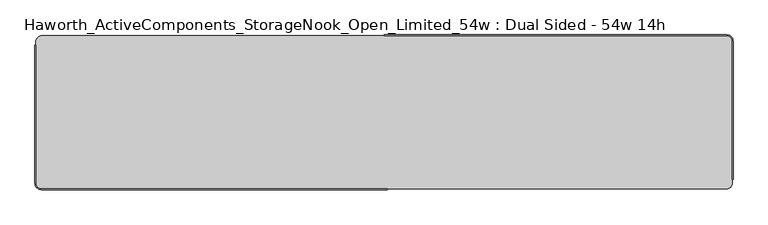
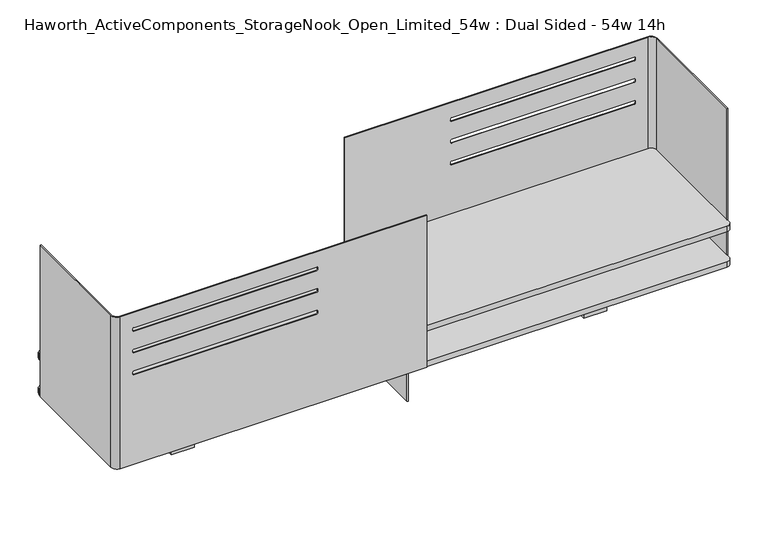
"""IFC4 building model written with IfcOpenShell, lengths in millimetres: furniture geometry, Haworth_ActiveComponents_StorageNook_Open_Limited_54w : Dual Sided - 54w 14h."""

from ifc_helpers import new_model, si_unit, point, frame, frame_2d, origin, place, context, project, spatial, polyline, circle_curve, trimmed, segment, composite_curve, outline, extrude, source, transform, mapped, element, save
from ifc_brep_helpers import plane_surface, cylinder_surface, revolved_surface, advanced_brep


def haworth_activecomponents_storagenook_open_limited_54w_dual_ef0f24f9(model_context):
    return source(origin(), model_context, "Body", "SolidModel", [
        advanced_brep(
        [(-684.2125, -482.6, 1207.7192085), (-684.2125, -211.1375, 1207.7192085), (-685.8, -211.1375, 1207.7192085), (-685.8, -482.6, 1207.7192085), (-673.1, -495.3, 1207.7192085), (6.35, -495.3, 1207.7192085), (6.35, -493.7125, 1207.7192085), (-673.1, -493.7125, 1207.7192085), (-684.2125, -482.6, 852.1192085), (-673.1, -493.7125, 852.1192085), (6.35, -493.7125, 852.1192085), (6.35, -495.3, 852.1192085), (-673.1, -495.3, 852.1192085), (-685.8, -482.6, 852.1192085), (-685.8, -211.1375, 852.1192085), (-684.2125, -211.1375, 852.1192085), (-237.2674617, -493.7125, 1171.5204477), (-642.1125093, -493.7125, 1171.5204477), (-644.429971, -493.7125, 1169.202986), (-644.429971, -493.7125, 1165.5181056), (-642.1810739, -493.7125, 1163.2692085), (-237.198897, -493.7125, 1163.2692085), (-234.95, -493.7125, 1165.5181056), (-234.95, -493.7125, 1169.202986), (-237.2674617, -493.7125, 1120.7044454), (-642.1125093, -493.7125, 1120.7044454), (-644.429971, -493.7125, 1118.3869837), (-644.429971, -493.7125, 1114.7021032), (-642.1810739, -493.7125, 1112.4532062), (-237.198897, -493.7125, 1112.4532062), (-234.95, -493.7125, 1114.7021032), (-234.95, -493.7125, 1118.3869837), (-237.2674617, -493.7125, 1069.9044454), (-642.1125093, -493.7125, 1069.9044454), (-644.429971, -493.7125, 1067.5869837), (-644.429971, -493.7125, 1063.9021032), (-642.1810739, -493.7125, 1061.6532062), (-237.198897, -493.7125, 1061.6532062), (-234.95, -493.7125, 1063.9021032), (-234.95, -493.7125, 1067.5869837), (-234.95, -495.3, 1169.202986), (-234.95, -495.3, 1165.5181056), (-237.198897, -495.3, 1163.2692085), (-642.1810739, -495.3, 1163.2692085), (-644.429971, -495.3, 1165.5181056), (-644.429971, -495.3, 1169.202986), (-642.1125093, -495.3, 1171.5204477), (-237.2674617, -495.3, 1171.5204477), (-234.95, -495.3, 1118.3869837), (-234.95, -495.3, 1114.7021032), (-237.198897, -495.3, 1112.4532062), (-642.1810739, -495.3, 1112.4532062), (-644.429971, -495.3, 1114.7021032), (-644.429971, -495.3, 1118.3869837), (-642.1125093, -495.3, 1120.7044454), (-237.2674617, -495.3, 1120.7044454), (-234.95, -495.3, 1067.5869837), (-234.95, -495.3, 1063.9021032), (-237.198897, -495.3, 1061.6532062), (-642.1810739, -495.3, 1061.6532062), (-644.429971, -495.3, 1063.9021032), (-644.429971, -495.3, 1067.5869837), (-642.1125093, -495.3, 1069.9044454), (-237.2674617, -495.3, 1069.9044454)],
        [
            (0, 1),
            (1, 2),
            (2, 3),
            (3, 4, circle_curve(frame((-673.1, -482.6, 1207.7192085), z_axis=(0.0, 0.0, 1.0), x_axis=(1.0, 0.0, 0.0)), 12.7)),
            (4, 5),
            (5, 6),
            (6, 7),
            (7, 0, circle_curve(frame((-673.1, -482.6, 1207.7192085), z_axis=(0.0, 0.0, -1.0), x_axis=(1.0, 0.0, 0.0)), 11.1125)),
            (8, 9, circle_curve(frame((-673.1, -482.6, 852.1192085), z_axis=(0.0, 0.0, 1.0), x_axis=(1.0, 0.0, 0.0)), 11.1125)),
            (9, 10),
            (10, 11),
            (11, 12),
            (12, 13, circle_curve(frame((-673.1, -482.6, 852.1192085), z_axis=(0.0, 0.0, -1.0), x_axis=(1.0, 0.0, 0.0)), 12.7)),
            (13, 14),
            (14, 15),
            (15, 8),
            (7, 9),
            (8, 0),
            (6, 10),
            (16, 17),
            (17, 18, circle_curve(frame((-642.1125093, -493.7125, 1169.202986), z_axis=(0.0, -1.0, 0.0), x_axis=(-1.0, 0.0, 0.0)), 2.3174617)),
            (18, 19),
            (19, 20, circle_curve(frame((-642.1810739, -493.7125, 1165.5181056), z_axis=(0.0, -1.0, 0.0), x_axis=(-1.0, 0.0, 0.0)), 2.248897)),
            (20, 21),
            (21, 22, circle_curve(frame((-237.198897, -493.7125, 1165.5181056), z_axis=(0.0, -1.0, 0.0), x_axis=(-1.0, 0.0, 0.0)), 2.248897)),
            (22, 23),
            (23, 16, circle_curve(frame((-237.2674617, -493.7125, 1169.202986), z_axis=(0.0, -1.0, 0.0), x_axis=(-1.0, 0.0, 0.0)), 2.3174617)),
            (24, 25),
            (25, 26, circle_curve(frame((-642.1125093, -493.7125, 1118.3869837), z_axis=(0.0, -1.0, 0.0), x_axis=(-1.0, 0.0, 0.0)), 2.3174617)),
            (26, 27),
            (27, 28, circle_curve(frame((-642.1810739, -493.7125, 1114.7021032), z_axis=(0.0, -1.0, 0.0), x_axis=(-1.0, 0.0, 0.0)), 2.248897)),
            (28, 29),
            (29, 30, circle_curve(frame((-237.198897, -493.7125, 1114.7021032), z_axis=(0.0, -1.0, 0.0), x_axis=(-1.0, 0.0, 0.0)), 2.248897)),
            (30, 31),
            (31, 24, circle_curve(frame((-237.2674617, -493.7125, 1118.3869837), z_axis=(0.0, -1.0, 0.0), x_axis=(-1.0, 0.0, 0.0)), 2.3174617)),
            (32, 33),
            (33, 34, circle_curve(frame((-642.1125093, -493.7125, 1067.5869837), z_axis=(0.0, -1.0, 0.0), x_axis=(-1.0, 0.0, 0.0)), 2.3174617)),
            (34, 35),
            (35, 36, circle_curve(frame((-642.1810739, -493.7125, 1063.9021032), z_axis=(0.0, -1.0, 0.0), x_axis=(-1.0, 0.0, 0.0)), 2.248897)),
            (36, 37),
            (37, 38, circle_curve(frame((-237.198897, -493.7125, 1063.9021032), z_axis=(0.0, -1.0, 0.0), x_axis=(-1.0, 0.0, 0.0)), 2.248897)),
            (38, 39),
            (39, 32, circle_curve(frame((-237.2674617, -493.7125, 1067.5869837), z_axis=(0.0, -1.0, 0.0), x_axis=(-1.0, 0.0, 0.0)), 2.3174617)),
            (5, 11),
            (4, 12),
            (40, 41),
            (41, 42, circle_curve(frame((-237.198897, -495.3, 1165.5181056), z_axis=(0.0, 1.0, 0.0), x_axis=(-1.0, 0.0, 0.0)), 2.248897)),
            (42, 43),
            (43, 44, circle_curve(frame((-642.1810739, -495.3, 1165.5181056), z_axis=(0.0, 1.0, 0.0), x_axis=(-1.0, 0.0, 0.0)), 2.248897)),
            (44, 45),
            (45, 46, circle_curve(frame((-642.1125093, -495.3, 1169.202986), z_axis=(0.0, 1.0, 0.0), x_axis=(-1.0, 0.0, 0.0)), 2.3174617)),
            (46, 47),
            (47, 40, circle_curve(frame((-237.2674617, -495.3, 1169.202986), z_axis=(0.0, 1.0, 0.0), x_axis=(-1.0, 0.0, 0.0)), 2.3174617)),
            (48, 49),
            (49, 50, circle_curve(frame((-237.198897, -495.3, 1114.7021032), z_axis=(0.0, 1.0, 0.0), x_axis=(-1.0, 0.0, 0.0)), 2.248897)),
            (50, 51),
            (51, 52, circle_curve(frame((-642.1810739, -495.3, 1114.7021032), z_axis=(0.0, 1.0, 0.0), x_axis=(-1.0, 0.0, 0.0)), 2.248897)),
            (52, 53),
            (53, 54, circle_curve(frame((-642.1125093, -495.3, 1118.3869837), z_axis=(0.0, 1.0, 0.0), x_axis=(-1.0, 0.0, 0.0)), 2.3174617)),
            (54, 55),
            (55, 48, circle_curve(frame((-237.2674617, -495.3, 1118.3869837), z_axis=(0.0, 1.0, 0.0), x_axis=(-1.0, 0.0, 0.0)), 2.3174617)),
            (56, 57),
            (57, 58, circle_curve(frame((-237.198897, -495.3, 1063.9021032), z_axis=(0.0, 1.0, 0.0), x_axis=(-1.0, 0.0, 0.0)), 2.248897)),
            (58, 59),
            (59, 60, circle_curve(frame((-642.1810739, -495.3, 1063.9021032), z_axis=(0.0, 1.0, 0.0), x_axis=(-1.0, 0.0, 0.0)), 2.248897)),
            (60, 61),
            (61, 62, circle_curve(frame((-642.1125093, -495.3, 1067.5869837), z_axis=(0.0, 1.0, 0.0), x_axis=(-1.0, 0.0, 0.0)), 2.3174617)),
            (62, 63),
            (63, 56, circle_curve(frame((-237.2674617, -495.3, 1067.5869837), z_axis=(0.0, 1.0, 0.0), x_axis=(-1.0, 0.0, 0.0)), 2.3174617)),
            (3, 13),
            (2, 14),
            (1, 15),
            (23, 40),
            (47, 16),
            (22, 41),
            (21, 42),
            (20, 43),
            (19, 44),
            (18, 45),
            (17, 46),
            (31, 48),
            (55, 24),
            (30, 49),
            (29, 50),
            (28, 51),
            (27, 52),
            (26, 53),
            (25, 54),
            (39, 56),
            (63, 32),
            (38, 57),
            (37, 58),
            (36, 59),
            (35, 60),
            (34, 61),
            (33, 62),
        ],
        [
            plane_surface(frame((-661.9875, -482.6, 1207.7192085), z_axis=(0.0, 0.0, 1.0), x_axis=(0.0, 1.0, 0.0))),
            plane_surface(frame((-661.9875, -482.6, 852.1192085), z_axis=(0.0, 0.0, -1.0), x_axis=(0.0, -1.0, 0.0))),
            revolved_surface(polyline([(-661.9875000000001, -482.6, 852.1192085), (-661.9875000000001, -482.6, 1207.7192085)]), (-673.1, -482.6, 852.1192085), (0.0, 0.0, -1.0)),
            plane_surface(frame((-673.1, -493.7125, 1207.7192085), z_axis=(0.0, 1.0, 0.0), x_axis=(0.0, 0.0, -1.0))),
            plane_surface(frame((6.35, -493.7125, 1207.7192085), z_axis=(1.0, 0.0, 0.0), x_axis=(0.0, 0.0, -1.0))),
            plane_surface(frame((6.35, -495.3, 1207.7192085), z_axis=(0.0, -1.0, 0.0), x_axis=(0.0, 0.0, -1.0))),
            cylinder_surface(frame((-673.1, -482.6, 852.1192085), z_axis=(0.0, 0.0, 1.0), x_axis=(1.0, 0.0, 0.0)), 12.7),
            plane_surface(frame((-685.8, -482.6, 1207.7192085), z_axis=(-1.0, 0.0, 0.0), x_axis=(0.0, 0.0, -1.0))),
            plane_surface(frame((-685.8, -211.1375, 1207.7192085), z_axis=(0.0, 1.0, 0.0), x_axis=(0.0, 0.0, -1.0))),
            plane_surface(frame((-684.2125, -211.1375, 1207.7192085), z_axis=(1.0, 0.0, 0.0), x_axis=(0.0, 0.0, -1.0))),
            revolved_surface(polyline([(-239.5849234, -495.3, 1169.202986), (-239.5849234, -493.7125, 1169.202986)]), (-237.2674617, -190.5, 1169.202986), (0.0, -1.0, 0.0)),
            plane_surface(frame((-234.95, -495.3, 1169.202986), z_axis=(-1.0, 0.0, 0.0), x_axis=(0.0, 1.0, 0.0))),
            revolved_surface(polyline([(-239.447794, -495.3, 1165.5181056), (-239.447794, -493.7125, 1165.5181056)]), (-237.198897, -190.5, 1165.5181056), (0.0, -1.0, 0.0)),
            plane_surface(frame((-237.198897, -495.3, 1163.2692085), z_axis=(0.0, 0.0, 1.0), x_axis=(0.0, 1.0, 0.0))),
            revolved_surface(polyline([(-644.4299709000001, -495.3, 1165.5181056), (-644.4299709000001, -493.7125, 1165.5181056)]), (-642.1810739, -190.5, 1165.5181056), (0.0, -1.0, 0.0)),
            plane_surface(frame((-644.429971, -495.3, 1165.5181056), z_axis=(1.0, 0.0, 0.0), x_axis=(0.0, 1.0, 0.0))),
            revolved_surface(polyline([(-644.429971, -495.3, 1169.202986), (-644.429971, -493.7125, 1169.202986)]), (-642.1125093, -190.5, 1169.202986), (0.0, -1.0, 0.0)),
            plane_surface(frame((-642.1125093, -495.3, 1171.5204477), z_axis=(0.0, 0.0, -1.0), x_axis=(0.0, 1.0, 0.0))),
            revolved_surface(polyline([(-239.5849234, -495.3, 1118.3869837), (-239.5849234, -493.7125, 1118.3869837)]), (-237.2674617, -190.5, 1118.3869837), (0.0, -1.0, 0.0)),
            plane_surface(frame((-234.95, -495.3, 1118.3869837), z_axis=(-1.0, 0.0, 0.0), x_axis=(0.0, 1.0, 0.0))),
            revolved_surface(polyline([(-239.447794, -495.3, 1114.7021032), (-239.447794, -493.7125, 1114.7021032)]), (-237.198897, -190.5, 1114.7021032), (0.0, -1.0, 0.0)),
            plane_surface(frame((-237.198897, -495.3, 1112.4532062), z_axis=(0.0, 0.0, 1.0), x_axis=(0.0, 1.0, 0.0))),
            revolved_surface(polyline([(-644.4299709000001, -495.3, 1114.7021032), (-644.4299709000001, -493.7125, 1114.7021032)]), (-642.1810739, -190.5, 1114.7021032), (0.0, -1.0, 0.0)),
            plane_surface(frame((-644.429971, -495.3, 1114.7021032), z_axis=(1.0, 0.0, 0.0), x_axis=(0.0, 1.0, 0.0))),
            revolved_surface(polyline([(-644.429971, -495.3, 1118.3869837), (-644.429971, -493.7125, 1118.3869837)]), (-642.1125093, -190.5, 1118.3869837), (0.0, -1.0, 0.0)),
            plane_surface(frame((-642.1125093, -495.3, 1120.7044454), z_axis=(0.0, 0.0, -1.0), x_axis=(0.0, 1.0, 0.0))),
            revolved_surface(polyline([(-239.5849234, -495.3, 1067.5869837), (-239.5849234, -493.7125, 1067.5869837)]), (-237.2674617, -190.5, 1067.5869837), (0.0, -1.0, 0.0)),
            plane_surface(frame((-234.95, -495.3, 1067.5869837), z_axis=(-1.0, 0.0, 0.0), x_axis=(0.0, 1.0, 0.0))),
            revolved_surface(polyline([(-239.447794, -495.3, 1063.9021032), (-239.447794, -493.7125, 1063.9021032)]), (-237.198897, -190.5, 1063.9021032), (0.0, -1.0, 0.0)),
            plane_surface(frame((-237.198897, -495.3, 1061.6532062), z_axis=(0.0, 0.0, 1.0), x_axis=(0.0, 1.0, 0.0))),
            revolved_surface(polyline([(-644.4299709000001, -495.3, 1063.9021032), (-644.4299709000001, -493.7125, 1063.9021032)]), (-642.1810739, -190.5, 1063.9021032), (0.0, -1.0, 0.0)),
            plane_surface(frame((-644.429971, -495.3, 1063.9021032), z_axis=(1.0, 0.0, 0.0), x_axis=(0.0, 1.0, 0.0))),
            revolved_surface(polyline([(-644.429971, -495.3, 1067.5869837), (-644.429971, -493.7125, 1067.5869837)]), (-642.1125093, -190.5, 1067.5869837), (0.0, -1.0, 0.0)),
            plane_surface(frame((-642.1125093, -495.3, 1069.9044454), z_axis=(0.0, 0.0, -1.0), x_axis=(0.0, 1.0, 0.0))),
        ],
        [
            (0, [[1, 2, 3, 4, 5, 6, 7, 8]]),
            (1, [[9, 10, 11, 12, 13, 14, 15, 16]]),
            (2, [[17, -9, 18, -8]]),
            (3, [[19, -10, -17, -7], [20, 21, 22, 23, 24, 25, 26, 27], [28, 29, 30, 31, 32, 33, 34, 35], [36, 37, 38, 39, 40, 41, 42, 43]]),
            (4, [[44, -11, -19, -6]]),
            (5, [[45, -12, -44, -5], [46, 47, 48, 49, 50, 51, 52, 53], [54, 55, 56, 57, 58, 59, 60, 61], [62, 63, 64, 65, 66, 67, 68, 69]]),
            (6, [[70, -13, -45, -4]]),
            (7, [[71, -14, -70, -3]]),
            (8, [[72, -15, -71, -2]]),
            (9, [[-18, -16, -72, -1]]),
            (10, [[-27, 73, -53, 74]]),
            (11, [[-26, 75, -46, -73]]),
            (12, [[-25, 76, -47, -75]]),
            (13, [[-24, 77, -48, -76]]),
            (14, [[-23, 78, -49, -77]]),
            (15, [[-22, 79, -50, -78]]),
            (16, [[-21, 80, -51, -79]]),
            (17, [[-52, -80, -20, -74]]),
            (18, [[-35, 81, -61, 82]]),
            (19, [[-34, 83, -54, -81]]),
            (20, [[-33, 84, -55, -83]]),
            (21, [[-32, 85, -56, -84]]),
            (22, [[-31, 86, -57, -85]]),
            (23, [[-30, 87, -58, -86]]),
            (24, [[-29, 88, -59, -87]]),
            (25, [[-60, -88, -28, -82]]),
            (26, [[-43, 89, -69, 90]]),
            (27, [[-42, 91, -62, -89]]),
            (28, [[-41, 92, -63, -91]]),
            (29, [[-40, 93, -64, -92]]),
            (30, [[-39, 94, -65, -93]]),
            (31, [[-38, 95, -66, -94]]),
            (32, [[-37, 96, -67, -95]]),
            (33, [[-68, -96, -36, -90]]),
        ],
    ),
        advanced_brep(
        [(684.2125, -203.2, 1207.7192085), (684.2125, -474.6625, 1207.7192085), (685.8, -474.6625, 1207.7192085), (685.8, -203.2, 1207.7192085), (673.1, -190.5, 1207.7192085), (0.0, -190.5, 1207.7192085), (0.0, -192.0875, 1207.7192085), (673.1, -192.0875, 1207.7192085), (684.2125, -203.2, 852.1192085), (673.1, -192.0875, 852.1192085), (0.0, -192.0875, 852.1192085), (0.0, -190.5, 852.1192085), (673.1, -190.5, 852.1192085), (685.8, -203.2, 852.1192085), (685.8, -474.6625, 852.1192085), (684.2125, -474.6625, 852.1192085), (237.2674617, -192.0875, 1171.5204477), (642.1125093, -192.0875, 1171.5204477), (644.429971, -192.0875, 1169.202986), (644.429971, -192.0875, 1165.5181056), (642.1810739, -192.0875, 1163.2692085), (237.198897, -192.0875, 1163.2692085), (234.95, -192.0875, 1165.5181056), (234.95, -192.0875, 1169.202986), (237.2674617, -192.0875, 1120.7044454), (642.1125093, -192.0875, 1120.7044454), (644.429971, -192.0875, 1118.3869837), (644.429971, -192.0875, 1114.7021032), (642.1810739, -192.0875, 1112.4532062), (237.198897, -192.0875, 1112.4532062), (234.95, -192.0875, 1114.7021032), (234.95, -192.0875, 1118.3869837), (237.2674617, -192.0875, 1069.9044454), (642.1125093, -192.0875, 1069.9044454), (644.429971, -192.0875, 1067.5869837), (644.429971, -192.0875, 1063.9021032), (642.1810739, -192.0875, 1061.6532062), (237.198897, -192.0875, 1061.6532062), (234.95, -192.0875, 1063.9021032), (234.95, -192.0875, 1067.5869837), (234.95, -190.5, 1169.202986), (234.95, -190.5, 1165.5181056), (237.198897, -190.5, 1163.2692085), (642.1810739, -190.5, 1163.2692085), (644.429971, -190.5, 1165.5181056), (644.429971, -190.5, 1169.202986), (642.1125093, -190.5, 1171.5204477), (237.2674617, -190.5, 1171.5204477), (234.95, -190.5, 1118.3869837), (234.95, -190.5, 1114.7021032), (237.198897, -190.5, 1112.4532062), (642.1810739, -190.5, 1112.4532062), (644.429971, -190.5, 1114.7021032), (644.429971, -190.5, 1118.3869837), (642.1125093, -190.5, 1120.7044454), (237.2674617, -190.5, 1120.7044454), (234.95, -190.5, 1067.5869837), (234.95, -190.5, 1063.9021032), (237.198897, -190.5, 1061.6532062), (642.1810739, -190.5, 1061.6532062), (644.429971, -190.5, 1063.9021032), (644.429971, -190.5, 1067.5869837), (642.1125093, -190.5, 1069.9044454), (237.2674617, -190.5, 1069.9044454)],
        [
            (0, 1),
            (1, 2),
            (2, 3),
            (3, 4, circle_curve(frame((673.1, -203.2, 1207.7192085), z_axis=(0.0, 0.0, 1.0), x_axis=(1.0, 0.0, 0.0)), 12.7)),
            (4, 5),
            (5, 6),
            (6, 7),
            (7, 0, circle_curve(frame((673.1, -203.2, 1207.7192085), z_axis=(0.0, 0.0, -1.0), x_axis=(1.0, 0.0, 0.0)), 11.1125)),
            (8, 9, circle_curve(frame((673.1, -203.2, 852.1192085), z_axis=(0.0, 0.0, 1.0), x_axis=(1.0, 0.0, 0.0)), 11.1125)),
            (9, 10),
            (10, 11),
            (11, 12),
            (12, 13, circle_curve(frame((673.1, -203.2, 852.1192085), z_axis=(0.0, 0.0, -1.0), x_axis=(1.0, 0.0, 0.0)), 12.7)),
            (13, 14),
            (14, 15),
            (15, 8),
            (7, 9),
            (8, 0),
            (6, 10),
            (16, 17),
            (17, 18, circle_curve(frame((642.1125093, -192.0875, 1169.202986), z_axis=(0.0, 1.0, 0.0), x_axis=(1.0, 0.0, 0.0)), 2.3174617)),
            (18, 19),
            (19, 20, circle_curve(frame((642.1810739, -192.0875, 1165.5181056), z_axis=(0.0, 1.0, 0.0), x_axis=(1.0, 0.0, 0.0)), 2.248897)),
            (20, 21),
            (21, 22, circle_curve(frame((237.198897, -192.0875, 1165.5181056), z_axis=(0.0, 1.0, 0.0), x_axis=(1.0, 0.0, 0.0)), 2.248897)),
            (22, 23),
            (23, 16, circle_curve(frame((237.2674617, -192.0875, 1169.202986), z_axis=(0.0, 1.0, 0.0), x_axis=(1.0, 0.0, 0.0)), 2.3174617)),
            (24, 25),
            (25, 26, circle_curve(frame((642.1125093, -192.0875, 1118.3869837), z_axis=(0.0, 1.0, 0.0), x_axis=(1.0, 0.0, 0.0)), 2.3174617)),
            (26, 27),
            (27, 28, circle_curve(frame((642.1810739, -192.0875, 1114.7021032), z_axis=(0.0, 1.0, 0.0), x_axis=(1.0, 0.0, 0.0)), 2.248897)),
            (28, 29),
            (29, 30, circle_curve(frame((237.198897, -192.0875, 1114.7021032), z_axis=(0.0, 1.0, 0.0), x_axis=(1.0, 0.0, 0.0)), 2.248897)),
            (30, 31),
            (31, 24, circle_curve(frame((237.2674617, -192.0875, 1118.3869837), z_axis=(0.0, 1.0, 0.0), x_axis=(1.0, 0.0, 0.0)), 2.3174617)),
            (32, 33),
            (33, 34, circle_curve(frame((642.1125093, -192.0875, 1067.5869837), z_axis=(0.0, 1.0, 0.0), x_axis=(1.0, 0.0, 0.0)), 2.3174617)),
            (34, 35),
            (35, 36, circle_curve(frame((642.1810739, -192.0875, 1063.9021032), z_axis=(0.0, 1.0, 0.0), x_axis=(1.0, 0.0, 0.0)), 2.248897)),
            (36, 37),
            (37, 38, circle_curve(frame((237.198897, -192.0875, 1063.9021032), z_axis=(0.0, 1.0, 0.0), x_axis=(1.0, 0.0, 0.0)), 2.248897)),
            (38, 39),
            (39, 32, circle_curve(frame((237.2674617, -192.0875, 1067.5869837), z_axis=(0.0, 1.0, 0.0), x_axis=(1.0, 0.0, 0.0)), 2.3174617)),
            (5, 11),
            (4, 12),
            (40, 41),
            (41, 42, circle_curve(frame((237.198897, -190.5, 1165.5181056), z_axis=(0.0, -1.0, 0.0), x_axis=(1.0, 0.0, 0.0)), 2.248897)),
            (42, 43),
            (43, 44, circle_curve(frame((642.1810739, -190.5, 1165.5181056), z_axis=(0.0, -1.0, 0.0), x_axis=(1.0, 0.0, 0.0)), 2.248897)),
            (44, 45),
            (45, 46, circle_curve(frame((642.1125093, -190.5, 1169.202986), z_axis=(0.0, -1.0, 0.0), x_axis=(1.0, 0.0, 0.0)), 2.3174617)),
            (46, 47),
            (47, 40, circle_curve(frame((237.2674617, -190.5, 1169.202986), z_axis=(0.0, -1.0, 0.0), x_axis=(1.0, 0.0, 0.0)), 2.3174617)),
            (48, 49),
            (49, 50, circle_curve(frame((237.198897, -190.5, 1114.7021032), z_axis=(0.0, -1.0, 0.0), x_axis=(1.0, 0.0, 0.0)), 2.248897)),
            (50, 51),
            (51, 52, circle_curve(frame((642.1810739, -190.5, 1114.7021032), z_axis=(0.0, -1.0, 0.0), x_axis=(1.0, 0.0, 0.0)), 2.248897)),
            (52, 53),
            (53, 54, circle_curve(frame((642.1125093, -190.5, 1118.3869837), z_axis=(0.0, -1.0, 0.0), x_axis=(1.0, 0.0, 0.0)), 2.3174617)),
            (54, 55),
            (55, 48, circle_curve(frame((237.2674617, -190.5, 1118.3869837), z_axis=(0.0, -1.0, 0.0), x_axis=(1.0, 0.0, 0.0)), 2.3174617)),
            (56, 57),
            (57, 58, circle_curve(frame((237.198897, -190.5, 1063.9021032), z_axis=(0.0, -1.0, 0.0), x_axis=(1.0, 0.0, 0.0)), 2.248897)),
            (58, 59),
            (59, 60, circle_curve(frame((642.1810739, -190.5, 1063.9021032), z_axis=(0.0, -1.0, 0.0), x_axis=(1.0, 0.0, 0.0)), 2.248897)),
            (60, 61),
            (61, 62, circle_curve(frame((642.1125093, -190.5, 1067.5869837), z_axis=(0.0, -1.0, 0.0), x_axis=(1.0, 0.0, 0.0)), 2.3174617)),
            (62, 63),
            (63, 56, circle_curve(frame((237.2674617, -190.5, 1067.5869837), z_axis=(0.0, -1.0, 0.0), x_axis=(1.0, 0.0, 0.0)), 2.3174617)),
            (3, 13),
            (2, 14),
            (1, 15),
            (47, 16),
            (23, 40),
            (22, 41),
            (21, 42),
            (20, 43),
            (19, 44),
            (18, 45),
            (17, 46),
            (55, 24),
            (31, 48),
            (30, 49),
            (29, 50),
            (28, 51),
            (27, 52),
            (26, 53),
            (25, 54),
            (63, 32),
            (39, 56),
            (38, 57),
            (37, 58),
            (36, 59),
            (35, 60),
            (34, 61),
            (33, 62),
        ],
        [
            plane_surface(frame((-661.9875, -482.6, 1207.7192085), z_axis=(0.0, 0.0, 1.0), x_axis=(0.0, 1.0, 0.0))),
            plane_surface(frame((-661.9875, -482.6, 852.1192085), z_axis=(0.0, 0.0, -1.0), x_axis=(0.0, -1.0, 0.0))),
            revolved_surface(polyline([(684.2125, -203.2, 852.1192085), (684.2125, -203.2, 1207.7192085)]), (673.1, -203.2, 0.0), (0.0, 0.0, -1.0)),
            plane_surface(frame((673.1, -192.0875, 1207.7192085), z_axis=(0.0, -1.0, 0.0), x_axis=(0.0, 0.0, -1.0))),
            plane_surface(frame((0.0, -192.0875, 1207.7192085), z_axis=(-1.0, 0.0, 0.0), x_axis=(0.0, 0.0, -1.0))),
            plane_surface(frame((0.0, -190.5, 1207.7192085), z_axis=(0.0, 1.0, 0.0), x_axis=(0.0, 0.0, -1.0))),
            cylinder_surface(frame((673.1, -203.2, 0.0), z_axis=(0.0, 0.0, 1.0), x_axis=(1.0, 0.0, 0.0)), 12.7),
            plane_surface(frame((685.8, -203.2, 1207.7192085), z_axis=(1.0, 0.0, 0.0), x_axis=(0.0, 0.0, -1.0))),
            plane_surface(frame((685.8, -474.6625, 1207.7192085), z_axis=(-2.5920599003900366e-11, -1.0, 0.0), x_axis=(0.0, 0.0, -1.0))),
            plane_surface(frame((684.2125, -474.6625, 1207.7192085), z_axis=(-1.0, 0.0, 0.0), x_axis=(0.0, 0.0, -1.0))),
            revolved_surface(polyline([(239.5849234, -192.0875, 1169.202986), (239.5849234, -190.5, 1169.202986)]), (237.2674617, -190.5, 1169.202986), (0.0, -1.0, 0.0)),
            plane_surface(frame((234.95, -495.3, 1165.5181056), z_axis=(1.0, 0.0, 0.0), x_axis=(0.0, 1.0, 0.0))),
            revolved_surface(polyline([(239.447794, -192.0875, 1165.5181056), (239.447794, -190.5, 1165.5181056)]), (237.198897, -190.5, 1165.5181056), (0.0, -1.0, 0.0)),
            plane_surface(frame((642.1810739, -495.3, 1163.2692085), z_axis=(0.0, 0.0, 1.0), x_axis=(0.0, 1.0, 0.0))),
            revolved_surface(polyline([(644.4299709000001, -192.0875, 1165.5181056), (644.4299709000001, -190.5, 1165.5181056)]), (642.1810739, -190.5, 1165.5181056), (0.0, -1.0, 0.0)),
            plane_surface(frame((644.429971, -495.3, 1169.202986), z_axis=(-1.0, 0.0, 0.0), x_axis=(0.0, 1.0, 0.0))),
            revolved_surface(polyline([(644.429971, -192.0875, 1169.202986), (644.429971, -190.5, 1169.202986)]), (642.1125093, -190.5, 1169.202986), (0.0, -1.0, 0.0)),
            plane_surface(frame((237.2674617, -495.3, 1171.5204477), z_axis=(0.0, 0.0, -1.0), x_axis=(0.0, 1.0, 0.0))),
            revolved_surface(polyline([(239.5849234, -192.0875, 1118.3869837), (239.5849234, -190.5, 1118.3869837)]), (237.2674617, -190.5, 1118.3869837), (0.0, -1.0, 0.0)),
            plane_surface(frame((234.95, -495.3, 1114.7021032), z_axis=(1.0, 0.0, 0.0), x_axis=(0.0, 1.0, 0.0))),
            revolved_surface(polyline([(239.447794, -192.0875, 1114.7021032), (239.447794, -190.5, 1114.7021032)]), (237.198897, -190.5, 1114.7021032), (0.0, -1.0, 0.0)),
            plane_surface(frame((642.1810739, -495.3, 1112.4532062), z_axis=(0.0, 0.0, 1.0), x_axis=(0.0, 1.0, 0.0))),
            revolved_surface(polyline([(644.4299709000001, -192.0875, 1114.7021032), (644.4299709000001, -190.5, 1114.7021032)]), (642.1810739, -190.5, 1114.7021032), (0.0, -1.0, 0.0)),
            plane_surface(frame((644.429971, -495.3, 1118.3869837), z_axis=(-1.0, 0.0, 0.0), x_axis=(0.0, 1.0, 0.0))),
            revolved_surface(polyline([(644.429971, -192.0875, 1118.3869837), (644.429971, -190.5, 1118.3869837)]), (642.1125093, -190.5, 1118.3869837), (0.0, -1.0, 0.0)),
            plane_surface(frame((237.2674617, -495.3, 1120.7044454), z_axis=(0.0, 0.0, -1.0), x_axis=(0.0, 1.0, 0.0))),
            revolved_surface(polyline([(239.5849234, -192.0875, 1067.5869837), (239.5849234, -190.5, 1067.5869837)]), (237.2674617, -190.5, 1067.5869837), (0.0, -1.0, 0.0)),
            plane_surface(frame((234.95, -495.3, 1063.9021032), z_axis=(1.0, 0.0, 0.0), x_axis=(0.0, 1.0, 0.0))),
            revolved_surface(polyline([(239.447794, -192.0875, 1063.9021032), (239.447794, -190.5, 1063.9021032)]), (237.198897, -190.5, 1063.9021032), (0.0, -1.0, 0.0)),
            plane_surface(frame((642.1810739, -495.3, 1061.6532062), z_axis=(0.0, 0.0, 1.0), x_axis=(0.0, 1.0, 0.0))),
            revolved_surface(polyline([(644.4299709000001, -192.0875, 1063.9021032), (644.4299709000001, -190.5, 1063.9021032)]), (642.1810739, -190.5, 1063.9021032), (0.0, -1.0, 0.0)),
            plane_surface(frame((644.429971, -495.3, 1067.5869837), z_axis=(-1.0, 0.0, 0.0), x_axis=(0.0, 1.0, 0.0))),
            revolved_surface(polyline([(644.429971, -192.0875, 1067.5869837), (644.429971, -190.5, 1067.5869837)]), (642.1125093, -190.5, 1067.5869837), (0.0, -1.0, 0.0)),
            plane_surface(frame((237.2674617, -495.3, 1069.9044454), z_axis=(0.0, 0.0, -1.0), x_axis=(0.0, 1.0, 0.0))),
        ],
        [
            (0, [[1, 2, 3, 4, 5, 6, 7, 8]]),
            (1, [[9, 10, 11, 12, 13, 14, 15, 16]]),
            (2, [[17, -9, 18, -8]]),
            (3, [[19, -10, -17, -7], [20, 21, 22, 23, 24, 25, 26, 27], [28, 29, 30, 31, 32, 33, 34, 35], [36, 37, 38, 39, 40, 41, 42, 43]]),
            (4, [[44, -11, -19, -6]]),
            (5, [[45, -12, -44, -5], [46, 47, 48, 49, 50, 51, 52, 53], [54, 55, 56, 57, 58, 59, 60, 61], [62, 63, 64, 65, 66, 67, 68, 69]]),
            (6, [[70, -13, -45, -4]]),
            (7, [[71, -14, -70, -3]]),
            (8, [[72, -15, -71, -2]]),
            (9, [[-18, -16, -72, -1]]),
            (10, [[-53, 73, -27, 74]]),
            (11, [[-26, 75, -46, -74]]),
            (12, [[-25, 76, -47, -75]]),
            (13, [[-24, 77, -48, -76]]),
            (14, [[-23, 78, -49, -77]]),
            (15, [[-22, 79, -50, -78]]),
            (16, [[-21, 80, -51, -79]]),
            (17, [[-20, -73, -52, -80]]),
            (18, [[-61, 81, -35, 82]]),
            (19, [[-34, 83, -54, -82]]),
            (20, [[-33, 84, -55, -83]]),
            (21, [[-32, 85, -56, -84]]),
            (22, [[-31, 86, -57, -85]]),
            (23, [[-30, 87, -58, -86]]),
            (24, [[-29, 88, -59, -87]]),
            (25, [[-28, -81, -60, -88]]),
            (26, [[-69, 89, -43, 90]]),
            (27, [[-42, 91, -62, -90]]),
            (28, [[-41, 92, -63, -91]]),
            (29, [[-40, 93, -64, -92]]),
            (30, [[-39, 94, -65, -93]]),
            (31, [[-38, 95, -66, -94]]),
            (32, [[-37, 96, -67, -95]]),
            (33, [[-36, -89, -68, -96]]),
        ],
    ),
        extrude(outline(composite_curve([segment(polyline([(673.1, -493.7125), (-673.1, -493.7125)]), True, "CONTINUOUS"), segment(trimmed(circle_curve(frame_2d((-673.1, -482.6)), 11.1125), [point((-673.1, -493.7125))], [point((-684.2125, -482.6))], False, "CARTESIAN"), True, "CONTINUOUS"), segment(polyline([(-684.2125, -482.6), (-684.2125, -204.7875)]), True, "CONTINUOUS"), segment(trimmed(circle_curve(frame_2d((-671.5125, -204.7875)), 12.7), [point((-684.2125, -204.7875))], [point((-671.5125, -192.0875))], False, "CARTESIAN"), True, "CONTINUOUS"), segment(polyline([(-671.5125, -192.0875), (673.1, -192.0875)]), True, "CONTINUOUS"), segment(trimmed(circle_curve(frame_2d((673.1, -203.2)), 11.1125), [point((673.1, -192.0875))], [point((684.2125, -203.2))], False, "CARTESIAN"), True, "CONTINUOUS"), segment(polyline([(684.2125, -203.2), (684.2125, -482.6)]), True, "CONTINUOUS"), segment(trimmed(circle_curve(frame_2d((673.1, -482.6)), 11.1125), [point((684.2125, -482.6))], [point((673.1, -493.7125))], False, "CARTESIAN"), True, "CONTINUOUS")], self_intersect=False)), frame((0.0, 0.0, 934.6692327), z_axis=(0.0, 0.0, 1.0), x_axis=(1.0, 0.0, 0.0)), (0.0, 0.0, 1.0), 12.7000242),
        extrude(outline(polyline([(-431.8, -361.8447791), (-482.6, -361.8447791), (-482.6, -323.393458), (-431.8, -323.393458), (-431.8, -361.8447791)])), frame((0.0, 0.0, 736.6), z_axis=(0.0, 0.0, 1.0), x_axis=(1.0, 0.0, 0.0)), (0.0, 0.0, 1.0), 115.5192085),
        extrude(outline(polyline([(431.8, -361.8447791), (431.8, -323.393458), (482.6, -323.393458), (482.6, -361.8447791), (431.8, -361.8447791)])), frame((0.0, 0.0, 736.6), z_axis=(0.0, 0.0, 1.0), x_axis=(1.0, 0.0, 0.0)), (0.0, 0.0, 1.0), 115.5192085),
        extrude(outline(polyline([(1.5875, -433.3841935), (-1.5875, -433.3841935), (-1.5875, -252.4158065), (1.5875, -252.4158065), (1.5875, -433.3841935)])), frame((0.0, 0.0, 736.6), z_axis=(0.0, 0.0, 1.0), x_axis=(1.0, 0.0, 0.0)), (0.0, 0.0, 1.0), 115.5192085),
        extrude(outline(composite_curve([segment(polyline([(673.1, -493.7125), (-673.1, -493.7125)]), True, "CONTINUOUS"), segment(trimmed(circle_curve(frame_2d((-673.1, -482.6)), 11.1125), [point((-673.1, -493.7125))], [point((-684.2125, -482.6))], False, "CARTESIAN"), True, "CONTINUOUS"), segment(polyline([(-684.2125, -482.6), (-684.2125, -204.7875)]), True, "CONTINUOUS"), segment(trimmed(circle_curve(frame_2d((-671.5125, -204.7875)), 12.7), [point((-684.2125, -204.7875))], [point((-671.5125, -192.0875))], False, "CARTESIAN"), True, "CONTINUOUS"), segment(polyline([(-671.5125, -192.0875), (671.5125, -192.0875)]), True, "CONTINUOUS"), segment(trimmed(circle_curve(frame_2d((671.5125, -204.7875)), 12.7), [point((671.5125, -192.0875))], [point((684.2125, -204.7875))], False, "CARTESIAN"), True, "CONTINUOUS"), segment(polyline([(684.2125, -204.7875), (684.2125, -482.6)]), True, "CONTINUOUS"), segment(trimmed(circle_curve(frame_2d((673.1, -482.6)), 11.1125), [point((684.2125, -482.6))], [point((673.1, -493.7125))], False, "CARTESIAN"), True, "CONTINUOUS")], self_intersect=False)), frame((0.0, 0.0, 852.1192085), z_axis=(0.0, 0.0, 1.0), x_axis=(1.0, 0.0, 0.0)), (0.0, 0.0, 1.0), 12.7000242),
    ])


if __name__ == "__main__":
    model = new_model("IFC4")
    model_context = context("Model", 3, world=origin())
    ifc_project = project(units=[si_unit("LENGTHUNIT", "METRE", prefix="MILLI")], contexts=[model_context])
    site = spatial("IfcSite", under=ifc_project)
    building = spatial("IfcBuilding", under=site)
    placement = place(None, origin())
    haworth_activecomponents_storagenook_open_limited_54w_dual_shape = haworth_activecomponents_storagenook_open_limited_54w_dual_ef0f24f9(model_context)
    element("IfcFurniture", 1, ObjectType="Haworth_ActiveComponents_StorageNook_Open_Limited_54w : Dual Sided - 54w 14h", at=placement, inside=building, context=model_context, shape_type="MappedRepresentation", body=[
        mapped(haworth_activecomponents_storagenook_open_limited_54w_dual_shape, transform((0.0, 0.0, 0.0), x_axis=(1.0, 0.0, 0.0), y_axis=(0.0, 1.0, 0.0), z_axis=(0.0, 0.0, 1.0))),
    ])
    save(model, "model.ifc")
